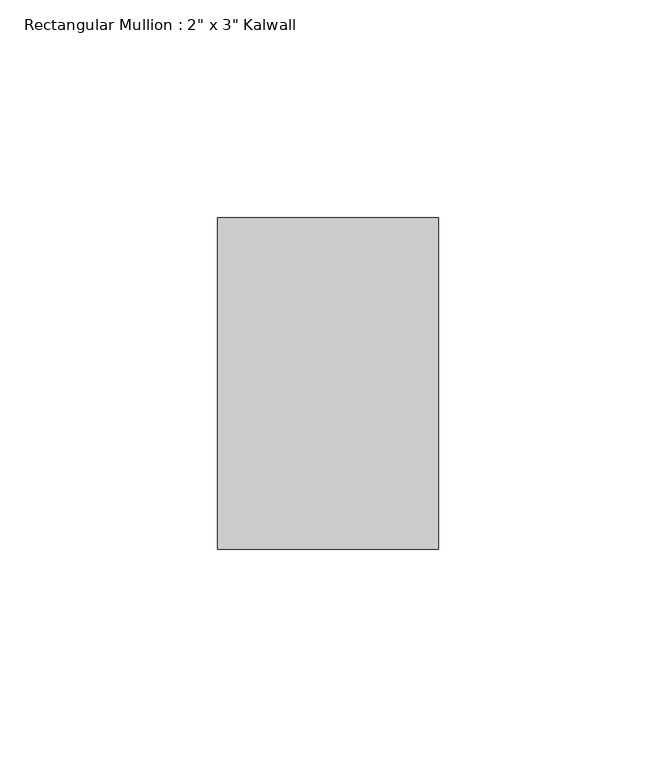
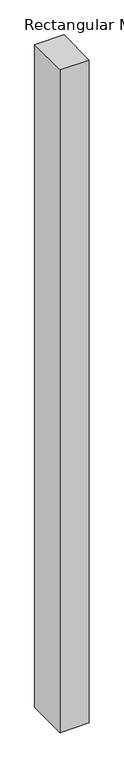
"""IFC4 building model written with IfcOpenShell, lengths in millimetres: member geometry."""

from ifc_helpers import new_model, si_unit, frame, origin, place, context, project, spatial, polyline, outline, extrude, source, transform, mapped, element, save


def member_e3273477(model_context):
    return source(origin(), model_context, "Body", "SweptSolid", [
        extrude(outline(polyline([(25.4, 0.0), (25.4, -76.2), (-25.4, -76.2), (-25.4, 0.0), (25.4, 0.0)])), frame((0.0, 0.0, -1219.2), z_axis=(0.0, 0.0, 1.0), x_axis=(1.0, 0.0, 0.0)), (0.0, 0.0, 1.0), 1219.2),
    ])


if __name__ == "__main__":
    model = new_model("IFC4")
    model_context = context("Model", 3, world=origin())
    ifc_project = project(units=[si_unit("LENGTHUNIT", "METRE", prefix="MILLI")], contexts=[model_context])
    site = spatial("IfcSite", under=ifc_project)
    building = spatial("IfcBuilding", under=site)
    placement = place(None, origin())
    member_shape = member_e3273477(model_context)
    element("IfcMember", 1, ObjectType="Rectangular Mullion : 2\" x 3\" Kalwall", at=placement, inside=building, context=model_context, shape_type="MappedRepresentation", body=[
        mapped(member_shape, transform((0.0, 0.0, 0.0), x_axis=(1.0, 0.0, 0.0), y_axis=(0.0, 1.0, 0.0), z_axis=(0.0, 0.0, 1.0))),
    ])
    save(model, "model.ifc")
